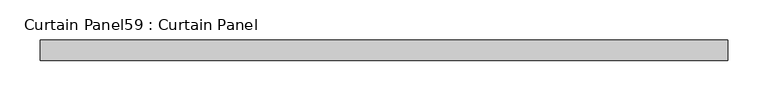
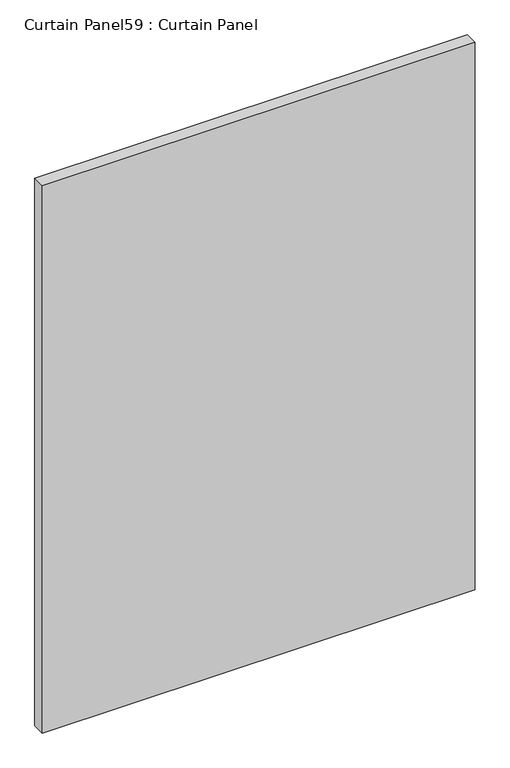
"""IFC4 building model written with IfcOpenShell, lengths in millimetres: plate geometry, Curtain Panel59 : Curtain Panel."""

from ifc_helpers import new_model, si_unit, frame, origin, place, context, project, spatial, polyline, outline, extrude, source, transform, mapped, element, save


def curtain_panel59_curtain_panel_09fe64a3(model_context):
    return source(origin(), model_context, "Body", "SweptSolid", [
        extrude(outline(polyline([(-38287.8665979, -3859.9631042), (-39142.3309118, -3859.9631042), (-39142.3309118, -3834.5631042), (-38287.8665979, -3834.5631042), (-38287.8665979, -3859.9631042)])), frame((0.0, 0.0, 2447.925), z_axis=(0.0, 0.0, 1.0), x_axis=(1.0, 0.0, 0.0)), (0.0, 0.0, 1.0), 1141.8462759),
    ])


if __name__ == "__main__":
    model = new_model("IFC4")
    model_context = context("Model", 3, world=origin())
    ifc_project = project(units=[si_unit("LENGTHUNIT", "METRE", prefix="MILLI")], contexts=[model_context])
    site = spatial("IfcSite", under=ifc_project)
    building = spatial("IfcBuilding", under=site)
    placement = place(None, origin())
    curtain_panel59_curtain_panel_shape = curtain_panel59_curtain_panel_09fe64a3(model_context)
    element("IfcPlate", 1, ObjectType="Curtain Panel59 : Curtain Panel", at=placement, inside=building, context=model_context, shape_type="MappedRepresentation", body=[
        mapped(curtain_panel59_curtain_panel_shape, transform((0.0, 0.0, 0.0), x_axis=(1.0, 0.0, 0.0), y_axis=(0.0, 1.0, 0.0), z_axis=(0.0, 0.0, 1.0))),
    ])
    save(model, "model.ifc")
